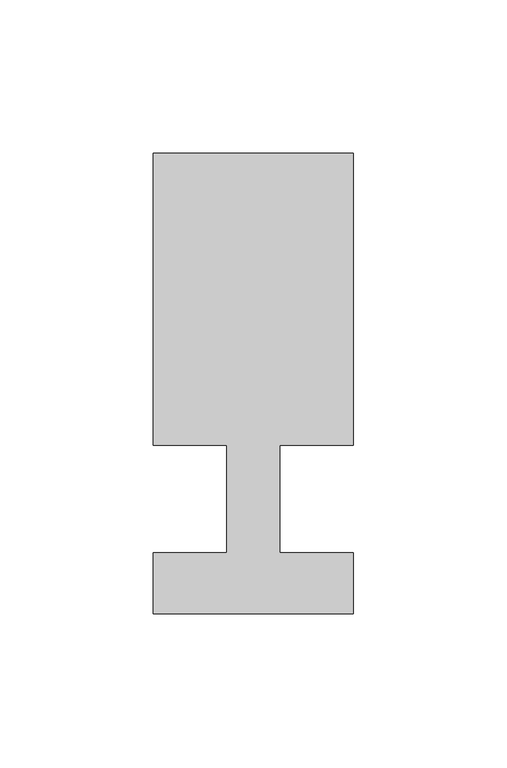
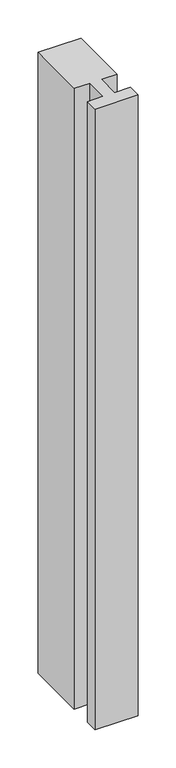
"""IFC4 building model written with IfcOpenShell, lengths in millimetres: member geometry."""

from ifc_helpers import new_model, si_unit, frame, origin, place, context, project, spatial, polyline, outline, extrude, source, transform, mapped, element, save


def member_6260da02(model_context):
    return source(origin(), model_context, "Body", "SweptSolid", [
        extrude(outline(polyline([(0.0, -37.0), (-65.0, -37.0), (-65.0, -17.0), (-41.1875, -17.0), (-41.1875, 18.0), (-65.0, 18.0), (-65.0, 113.0), (0.0, 113.0), (0.0, 18.0), (-23.8125, 18.0), (-23.8125, -17.0), (0.0, -17.0), (0.0, -37.0)])), frame((0.0, 0.0, -994.2857143), z_axis=(0.0, 0.0, 1.0), x_axis=(1.0, 0.0, 0.0)), (0.0, 0.0, 1.0), 994.2857143),
    ])


if __name__ == "__main__":
    model = new_model("IFC4")
    model_context = context("Model", 3, world=origin())
    ifc_project = project(units=[si_unit("LENGTHUNIT", "METRE", prefix="MILLI")], contexts=[model_context])
    site = spatial("IfcSite", under=ifc_project)
    building = spatial("IfcBuilding", under=site)
    placement = place(None, origin())
    member_shape = member_6260da02(model_context)
    element("IfcMember", 1, at=placement, inside=building, context=model_context, shape_type="MappedRepresentation", body=[
        mapped(member_shape, transform((0.0, 0.0, 0.0), x_axis=(1.0, 0.0, 0.0), y_axis=(0.0, 1.0, 0.0), z_axis=(0.0, 0.0, 1.0))),
    ])
    save(model, "model.ifc")
